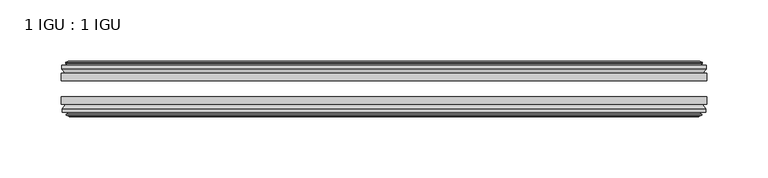
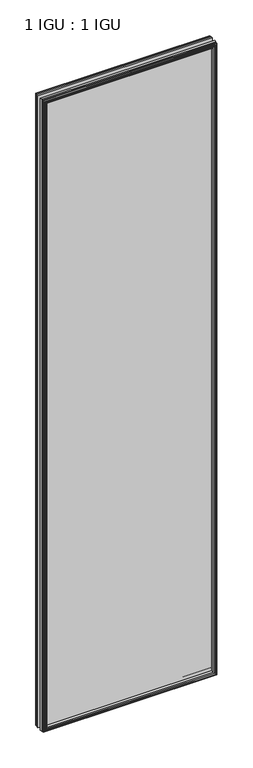
"""IFC4 building model written with IfcOpenShell, lengths in millimetres: plate geometry, 1 IGU : 1 IGU."""

from ifc_helpers import new_model, si_unit, frame, origin, place, context, project, spatial, polyline, outline, extrude, faceted_brep, source, transform, mapped, element, save


def plate_1_igu_1_igu_d45bd7ae(model_context):
    return source(origin(), model_context, "Body", "SolidModel", [
        extrude(outline(polyline([(263.509125, -25.8960937), (263.509125, -32.2460938), (-263.509125, -32.2460938), (-263.509125, -25.8960937), (263.509125, -25.8960937)])), frame((0.0, 0.0, -12.7), z_axis=(0.0, 0.0, 1.0), x_axis=(1.0, 0.0, 0.0)), (0.0, 0.0, 1.0), 2019.3),
        extrude(outline(polyline([(-263.509125, -51.2960938), (-263.509125, -45.2686737), (263.509125, -45.2686737), (263.509125, -51.2960938), (-263.509125, -51.2960938)])), frame((0.0, 0.0, -12.7), z_axis=(0.0, 0.0, 1.0), x_axis=(1.0, 0.0, 0.0)), (0.0, 0.0, 1.0), 2019.3),
        faceted_brep([(-257.921125, -60.0262907, 2001.012), (-258.302125, -57.6460937, 2001.393), (-258.302125, -57.6460937, -7.493), (-257.921125, -60.0262907, -7.112), (-259.3366541, -59.5663575, 2002.4275291), (-259.3366541, -59.5663575, -8.5275291), (-259.3366541, -60.3675717, 2002.4275291), (-259.3366541, -60.3675717, -8.5275291), (-257.159125, -61.0750937, 2000.25), (-257.159125, -61.0750937, -6.35), (-254.9815959, -60.3675717, 1998.072471), (-254.9815959, -60.3675717, -4.1724709), (-254.9815959, -59.5663575, 1998.072471), (-254.9815959, -59.5663575, -4.1724709), (-256.397125, -60.0262907, 1999.488), (-256.397125, -60.0262907, -5.588), (-256.016125, -57.6460937, 1999.107), (-256.016125, -57.6460937, -5.207), (-249.0914069, -51.2960937, 1992.1822819), (-250.809125, -57.6460937, 1993.9), (-250.809125, -57.6460937, 0.0), (-249.0914069, -51.2960937, 1.7177181), (-262.747125, -54.6996937, 2005.838), (-259.9127828, -51.2960937, 2003.0036578), (-259.9127828, -51.2960937, -9.1036578), (-262.747125, -54.6996937, -11.938), (-262.747125, -57.6460937, 2005.838), (-262.747125, -57.6460937, -11.938), (258.302125, -57.6460938, -7.493), (257.921125, -60.0262907, -7.112), (259.3366541, -59.5663575, -8.5275291), (259.3366541, -60.3675717, -8.5275291), (257.159125, -61.0750937, -6.35), (254.9815959, -60.3675717, -4.1724709), (254.9815959, -59.5663575, -4.1724709), (256.397125, -60.0262907, -5.588), (256.016125, -57.6460937, -5.207), (250.809125, -57.6460937, 0.0), (249.0914069, -51.2960937, 1.7177181), (259.9127828, -51.2960937, -9.1036578), (262.747125, -54.6996937, -11.938), (262.747125, -57.6460938, -11.938), (258.302125, -57.6460938, 2001.393), (257.921125, -60.0262907, 2001.012), (259.3366541, -59.5663575, 2002.4275291), (259.3366541, -60.3675717, 2002.4275291), (257.159125, -61.0750937, 2000.25), (254.9815959, -60.3675717, 1998.072471), (254.9815959, -59.5663575, 1998.072471), (256.397125, -60.0262907, 1999.488), (256.016125, -57.6460937, 1999.107), (250.809125, -57.6460937, 1993.9), (249.0914069, -51.2960937, 1992.1822819), (259.9127828, -51.2960937, 2003.0036578), (262.747125, -54.6996937, 2005.838), (262.747125, -57.6460938, 2005.838)], [[[0, 1, 2, 3]], [[4, 0, 3, 5]], [[6, 4, 5, 7]], [[8, 6, 7, 9]], [[10, 8, 9, 11]], [[12, 10, 11, 13]], [[14, 12, 13, 15]], [[16, 14, 15, 17]], [[18, 19, 20, 21]], [[22, 23, 24, 25]], [[26, 22, 25, 27]], [[3, 2, 28, 29]], [[5, 3, 29, 30]], [[7, 5, 30, 31]], [[9, 7, 31, 32]], [[11, 9, 32, 33]], [[13, 11, 33, 34]], [[15, 13, 34, 35]], [[17, 15, 35, 36]], [[21, 20, 37, 38]], [[25, 24, 39, 40]], [[27, 25, 40, 41]], [[29, 28, 42, 43]], [[30, 29, 43, 44]], [[31, 30, 44, 45]], [[32, 31, 45, 46]], [[33, 32, 46, 47]], [[34, 33, 47, 48]], [[35, 34, 48, 49]], [[36, 35, 49, 50]], [[38, 37, 51, 52]], [[40, 39, 53, 54]], [[41, 40, 54, 55]], [[27, 41, 55, 26], [1, 42, 28, 2]], [[43, 42, 1, 0]], [[44, 43, 0, 4]], [[45, 44, 4, 6]], [[46, 45, 6, 8]], [[47, 46, 8, 10]], [[48, 47, 10, 12]], [[49, 48, 12, 14]], [[50, 49, 14, 16]], [[17, 36, 50, 16], [19, 51, 37, 20]], [[52, 51, 19, 18]], [[23, 53, 39, 24], [21, 38, 52, 18]], [[54, 53, 23, 22]], [[55, 54, 22, 26]]]),
        faceted_brep([(-260.4334828, -25.8960937, 2003.5243578), (-263.267825, -22.4924937, 2006.3587), (-263.267825, -22.4924937, -12.4587), (-260.4334828, -25.8960937, -9.6243578), (-251.329825, -19.5460937, 1994.4207), (-249.6121069, -25.8960937, 1992.7029819), (-249.6121069, -25.8960937, 1.1970181), (-251.329825, -19.5460937, -0.5207), (-256.917825, -17.1658968, 2000.0087), (-256.536825, -19.5460937, 1999.6277), (-256.536825, -19.5460937, -5.7277), (-256.917825, -17.1658968, -6.1087), (-255.5022959, -17.62583, 1998.593171), (-255.5022959, -17.62583, -4.6931709), (-255.5022959, -16.8246158, 1998.593171), (-255.5022959, -16.8246158, -4.6931709), (-257.679825, -16.1170937, 2000.7707), (-257.679825, -16.1170937, -6.8707), (-259.8573541, -16.8246158, 2002.9482291), (-259.8573541, -16.8246158, -9.0482291), (-259.8573541, -17.62583, 2002.9482291), (-259.8573541, -17.62583, -9.0482291), (-258.441825, -17.1658968, 2001.5327), (-258.441825, -17.1658968, -7.6327), (-258.822825, -19.5460937, 2001.9137), (-258.822825, -19.5460937, -8.0137), (-263.267825, -19.5460937, 2006.3587), (-263.267825, -19.5460937, -12.4587), (263.267825, -22.4924937, -12.4587), (260.4334828, -25.8960937, -9.6243578), (249.6121069, -25.8960937, 1.1970181), (251.329825, -19.5460937, -0.5207), (256.536825, -19.5460937, -5.7277), (256.917825, -17.1658968, -6.1087), (255.5022959, -17.62583, -4.6931709), (255.5022959, -16.8246158, -4.6931709), (257.679825, -16.1170937, -6.8707), (259.8573541, -16.8246158, -9.0482291), (259.8573541, -17.62583, -9.0482291), (258.441825, -17.1658968, -7.6327), (258.822825, -19.5460937, -8.0137), (263.267825, -19.5460937, -12.4587), (263.267825, -22.4924937, 2006.3587), (260.4334828, -25.8960937, 2003.5243578), (249.6121069, -25.8960937, 1992.7029819), (251.329825, -19.5460937, 1994.4207), (256.536825, -19.5460937, 1999.6277), (256.917825, -17.1658968, 2000.0087), (255.5022959, -17.62583, 1998.593171), (255.5022959, -16.8246158, 1998.593171), (257.679825, -16.1170937, 2000.7707), (259.8573541, -16.8246158, 2002.9482291), (259.8573541, -17.62583, 2002.9482291), (258.441825, -17.1658968, 2001.5327), (258.822825, -19.5460937, 2001.9137), (263.267825, -19.5460937, 2006.3587)], [[[0, 1, 2, 3]], [[4, 5, 6, 7]], [[8, 9, 10, 11]], [[12, 8, 11, 13]], [[14, 12, 13, 15]], [[16, 14, 15, 17]], [[18, 16, 17, 19]], [[20, 18, 19, 21]], [[22, 20, 21, 23]], [[24, 22, 23, 25]], [[1, 26, 27, 2]], [[3, 2, 28, 29]], [[7, 6, 30, 31]], [[11, 10, 32, 33]], [[13, 11, 33, 34]], [[15, 13, 34, 35]], [[17, 15, 35, 36]], [[19, 17, 36, 37]], [[21, 19, 37, 38]], [[23, 21, 38, 39]], [[25, 23, 39, 40]], [[2, 27, 41, 28]], [[29, 28, 42, 43]], [[31, 30, 44, 45]], [[33, 32, 46, 47]], [[34, 33, 47, 48]], [[35, 34, 48, 49]], [[36, 35, 49, 50]], [[37, 36, 50, 51]], [[38, 37, 51, 52]], [[39, 38, 52, 53]], [[40, 39, 53, 54]], [[28, 41, 55, 42]], [[43, 42, 1, 0]], [[3, 29, 43, 0], [5, 44, 30, 6]], [[45, 44, 5, 4]], [[9, 46, 32, 10], [7, 31, 45, 4]], [[47, 46, 9, 8]], [[48, 47, 8, 12]], [[49, 48, 12, 14]], [[50, 49, 14, 16]], [[51, 50, 16, 18]], [[52, 51, 18, 20]], [[53, 52, 20, 22]], [[54, 53, 22, 24]], [[26, 55, 41, 27], [25, 40, 54, 24]], [[42, 55, 26, 1]]]),
    ])


if __name__ == "__main__":
    model = new_model("IFC4")
    model_context = context("Model", 3, world=origin())
    ifc_project = project(units=[si_unit("LENGTHUNIT", "METRE", prefix="MILLI")], contexts=[model_context])
    site = spatial("IfcSite", under=ifc_project)
    building = spatial("IfcBuilding", under=site)
    placement = place(None, origin())
    plate_1_igu_1_igu_shape = plate_1_igu_1_igu_d45bd7ae(model_context)
    element("IfcPlate", 1, ObjectType="1 IGU : 1 IGU", at=placement, inside=building, context=model_context, shape_type="MappedRepresentation", body=[
        mapped(plate_1_igu_1_igu_shape, transform((0.0, 0.0, 0.0), x_axis=(1.0, 0.0, 0.0), y_axis=(0.0, 1.0, 0.0), z_axis=(0.0, 0.0, 1.0))),
    ])
    save(model, "model.ifc")
